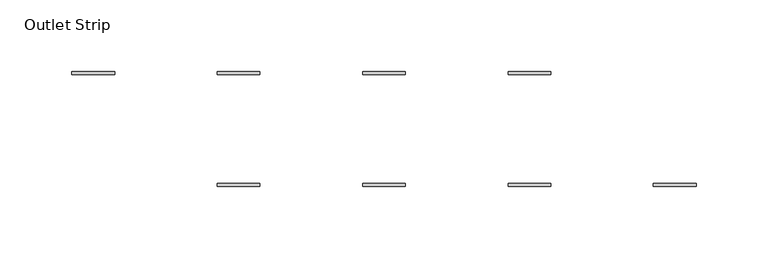
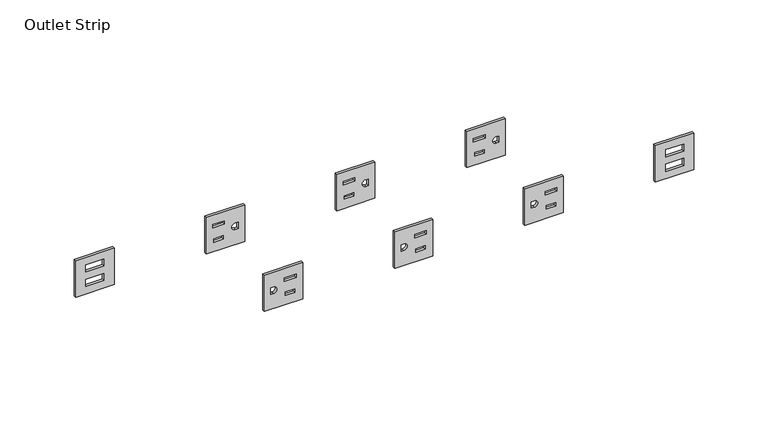
"""IFC4 building model written with IfcOpenShell, lengths in millimetres: furniture geometry, Outlet Strip."""

from ifc_helpers import new_model, si_unit, point, frame, frame_2d, origin, place, context, project, spatial, polyline, circle_curve, trimmed, segment, composite_curve, outline, extrude, source, transform, mapped, element, save


def outlet_strip_cb5c613c(model_context):
    return source(origin(), model_context, "Body", "SweptSolid", [
        extrude(outline(polyline([(-97.2819981, 86.6139992), (-127.2539967, 86.6139992), (-127.2539967, 116.5859978), (-97.2819981, 116.5859978), (-97.2819981, 86.6139992)]), holes=[polyline([(-104.8257963, 91.7067025), (-104.8257963, 100.9522955), (-107.6705991, 100.9522955), (-107.6705991, 91.7067025), (-104.8257963, 91.7067025)]), polyline([(-116.8653957, 92.4940999), (-116.8653957, 100.164898), (-119.7101985, 100.164898), (-119.7101985, 92.4940999), (-116.8653957, 92.4940999)]), composite_curve([segment(polyline([(-109.6518008, 109.2327039), (-109.6518008, 111.4933036), (-114.8842031, 111.4933036), (-114.8842031, 109.2327039)]), True, "CONTINUOUS"), segment(trimmed(circle_curve(frame_2d((-112.2680019, 109.2327039)), 2.6162011), [point((-114.8842031, 109.2327039))], [point((-109.6518008, 109.2327039))], True, "CARTESIAN"), True, "CONTINUOUS")], self_intersect=False)]), frame((0.0, 38.1, 0.0), z_axis=(0.0, 1.0, 0.0), x_axis=(0.0, 0.0, 1.0)), (0.0, 0.0, 1.0), 2.0319981),
        extrude(outline(polyline([(-97.2819981, -14.9860005), (-127.2539967, -14.9860005), (-127.2539967, 14.9860005), (-97.2819981, 14.9860005), (-97.2819981, -14.9860005)]), holes=[polyline([(-104.8257963, -9.8933006), (-104.8257963, -0.6477), (-107.6705991, -0.6477), (-107.6705991, -9.8933006), (-104.8257963, -9.8933006)]), polyline([(-116.8653957, -9.1058997), (-116.8653957, -1.4351), (-119.7101985, -1.4351), (-119.7101985, -9.1058997), (-116.8653957, -9.1058997)]), composite_curve([segment(polyline([(-114.8842031, 9.8933006), (-114.8842031, 7.6326998)]), True, "CONTINUOUS"), segment(trimmed(circle_curve(frame_2d((-112.2680019, 7.6326998)), 2.6162011), [point((-114.8842031, 7.6326998))], [point((-109.6518008, 7.6326998))], True, "CARTESIAN"), True, "CONTINUOUS"), segment(polyline([(-109.6518008, 7.6326998), (-109.6518008, 9.8933006), (-114.8842031, 9.8933006)]), True, "CONTINUOUS")], self_intersect=False)]), frame((0.0, 38.1, 0.0), z_axis=(0.0, 1.0, 0.0), x_axis=(0.0, 0.0, 1.0)), (0.0, 0.0, 1.0), 2.0319981),
        extrude(outline(polyline([(-97.2819981, -116.5859978), (-127.2539967, -116.5859978), (-127.2539967, -86.6139992), (-97.2819981, -86.6139992), (-97.2819981, -116.5859978)]), holes=[polyline([(-104.8257963, -111.4933036), (-104.8257963, -102.2477015), (-107.6705991, -102.2477015), (-107.6705991, -111.4933036), (-104.8257963, -111.4933036)]), polyline([(-116.8653957, -110.7058971), (-116.8653957, -103.0350989), (-119.7101985, -103.0350989), (-119.7101985, -110.7058971), (-116.8653957, -110.7058971)]), composite_curve([segment(polyline([(-109.6518008, -91.7067025), (-114.8842031, -91.7067025), (-114.8842031, -93.9673021)]), True, "CONTINUOUS"), segment(trimmed(circle_curve(frame_2d((-112.2680019, -93.9673021)), 2.6162011), [point((-114.8842031, -93.9673021))], [point((-109.6518008, -93.9673021))], True, "CARTESIAN"), True, "CONTINUOUS"), segment(polyline([(-109.6518008, -93.9673021), (-109.6518008, -91.7067025)]), True, "CONTINUOUS")], self_intersect=False)]), frame((0.0, 38.1, 0.0), z_axis=(0.0, 1.0, 0.0), x_axis=(0.0, 0.0, 1.0)), (0.0, 0.0, 1.0), 2.0319981),
        extrude(outline(polyline([(-97.2819981, -218.1859918), (-127.2539967, -218.1859918), (-127.2539967, -188.2140022), (-97.2819981, -188.2140022), (-97.2819981, -218.1859918)]), holes=[polyline([(-103.3526032, -210.1468931), (-103.3526032, -196.2531009), (-109.2961993, -196.2531009), (-109.2961993, -210.1468931), (-103.3526032, -210.1468931)]), polyline([(-115.2397955, -210.1468931), (-115.2397955, -196.2531009), (-121.1834007, -196.2531009), (-121.1834007, -210.1468931), (-115.2397955, -210.1468931)])]), frame((0.0, 38.1, 0.0), z_axis=(0.0, 1.0, 0.0), x_axis=(0.0, 0.0, 1.0)), (0.0, 0.0, 1.0), 2.0319981),
        extrude(outline(polyline([(-97.2819981, -86.6139992), (-97.2819981, -116.5859978), (-127.2539967, -116.5859978), (-127.2539967, -86.6139992), (-97.2819981, -86.6139992)]), holes=[polyline([(-104.8257963, -91.7067025), (-107.6705991, -91.7067025), (-107.6705991, -100.9522955), (-104.8257963, -100.9522955), (-104.8257963, -91.7067025)]), polyline([(-116.8653957, -92.4940999), (-119.7101985, -92.4940999), (-119.7101985, -100.164898), (-116.8653957, -100.164898), (-116.8653957, -92.4940999)]), composite_curve([segment(polyline([(-109.6518008, -111.4933036), (-109.6518008, -109.2327039)]), True, "CONTINUOUS"), segment(trimmed(circle_curve(frame_2d((-112.2680019, -109.2327039)), 2.6162011), [point((-109.6518008, -109.2327039))], [point((-114.8842031, -109.2327039))], True, "CARTESIAN"), True, "CONTINUOUS"), segment(polyline([(-114.8842031, -109.2327039), (-114.8842031, -111.4933036), (-109.6518008, -111.4933036)]), True, "CONTINUOUS")], self_intersect=False)]), frame((0.0, -40.1319981, 0.0), z_axis=(0.0, 1.0, 0.0), x_axis=(0.0, 0.0, 1.0)), (0.0, 0.0, 1.0), 2.0319981),
        extrude(outline(polyline([(-97.2819981, 14.9860005), (-97.2819981, -14.9860005), (-127.2539967, -14.9860005), (-127.2539967, 14.9860005), (-97.2819981, 14.9860005)]), holes=[polyline([(-104.8257963, 9.8933006), (-107.6705991, 9.8933006), (-107.6705991, 0.6477), (-104.8257963, 0.6477), (-104.8257963, 9.8933006)]), polyline([(-116.8653957, 9.1058997), (-119.7101985, 9.1058997), (-119.7101985, 1.4351), (-116.8653957, 1.4351), (-116.8653957, 9.1058997)]), composite_curve([segment(trimmed(circle_curve(frame_2d((-112.2680019, -7.6326998)), 2.6162011), [point((-109.6518008, -7.6326998))], [point((-114.8842031, -7.6326998))], True, "CARTESIAN"), True, "CONTINUOUS"), segment(polyline([(-114.8842031, -7.6326998), (-114.8842031, -9.8933006), (-109.6518008, -9.8933006), (-109.6518008, -7.6326998)]), True, "CONTINUOUS")], self_intersect=False)]), frame((0.0, -40.1319981, 0.0), z_axis=(0.0, 1.0, 0.0), x_axis=(0.0, 0.0, 1.0)), (0.0, 0.0, 1.0), 2.0319981),
        extrude(outline(polyline([(-97.2819981, 116.5859978), (-97.2819981, 86.6139992), (-127.2539967, 86.6139992), (-127.2539967, 116.5859978), (-97.2819981, 116.5859978)]), holes=[polyline([(-104.8257963, 111.4933036), (-107.6705991, 111.4933036), (-107.6705991, 102.2477015), (-104.8257963, 102.2477015), (-104.8257963, 111.4933036)]), polyline([(-116.8653957, 110.7058971), (-119.7101985, 110.7058971), (-119.7101985, 103.0350989), (-116.8653957, 103.0350989), (-116.8653957, 110.7058971)]), composite_curve([segment(polyline([(-109.6518008, 91.7067025), (-109.6518008, 93.9673021)]), True, "CONTINUOUS"), segment(trimmed(circle_curve(frame_2d((-112.2680019, 93.9673021)), 2.6162011), [point((-109.6518008, 93.9673021))], [point((-114.8842031, 93.9673021))], True, "CARTESIAN"), True, "CONTINUOUS"), segment(polyline([(-114.8842031, 93.9673021), (-114.8842031, 91.7067025), (-109.6518008, 91.7067025)]), True, "CONTINUOUS")], self_intersect=False)]), frame((0.0, -40.1319981, 0.0), z_axis=(0.0, 1.0, 0.0), x_axis=(0.0, 0.0, 1.0)), (0.0, 0.0, 1.0), 2.0319981),
        extrude(outline(polyline([(-97.2819981, 218.1859918), (-97.2819981, 188.2140022), (-127.2539967, 188.2140022), (-127.2539967, 218.1859918), (-97.2819981, 218.1859918)]), holes=[polyline([(-103.3526032, 210.1468931), (-109.2961993, 210.1468931), (-109.2961993, 196.2531009), (-103.3526032, 196.2531009), (-103.3526032, 210.1468931)]), polyline([(-115.2397955, 210.1468931), (-121.1834007, 210.1468931), (-121.1834007, 196.2531009), (-115.2397955, 196.2531009), (-115.2397955, 210.1468931)])]), frame((0.0, -40.1319981, 0.0), z_axis=(0.0, 1.0, 0.0), x_axis=(0.0, 0.0, 1.0)), (0.0, 0.0, 1.0), 2.0319981),
    ])


if __name__ == "__main__":
    model = new_model("IFC4")
    model_context = context("Model", 3, world=origin())
    ifc_project = project(units=[si_unit("LENGTHUNIT", "METRE", prefix="MILLI")], contexts=[model_context])
    site = spatial("IfcSite", under=ifc_project)
    building = spatial("IfcBuilding", under=site)
    placement = place(None, origin())
    outlet_strip_shape = outlet_strip_cb5c613c(model_context)
    element("IfcFurniture", 1, ObjectType="Outlet Strip", at=placement, inside=building, context=model_context, shape_type="MappedRepresentation", body=[
        mapped(outlet_strip_shape, transform((0.0, 0.0, 0.0), x_axis=(1.0, 0.0, 0.0), y_axis=(0.0, 1.0, 0.0), z_axis=(0.0, 0.0, 1.0))),
    ])
    save(model, "model.ifc")
